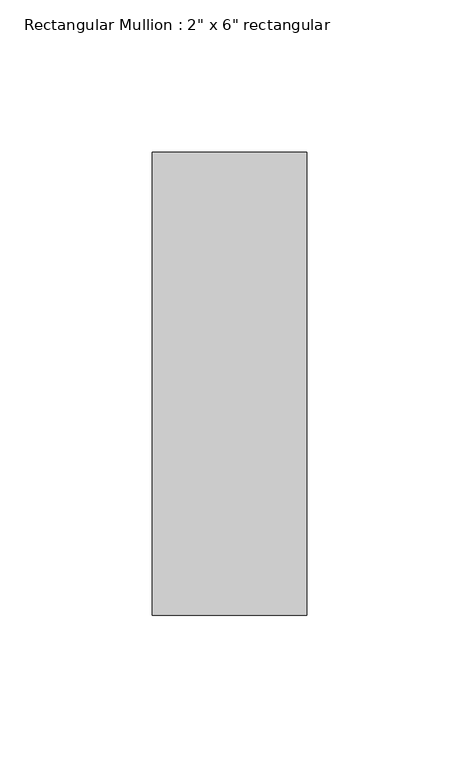
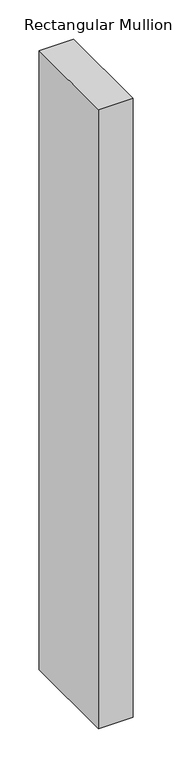
"""IFC4 building model written with IfcOpenShell, lengths in millimetres: member geometry."""

from ifc_helpers import new_model, si_unit, frame, origin, place, context, project, spatial, polyline, outline, extrude, source, transform, mapped, element, save


def member_0af33c3a(model_context):
    return source(origin(), model_context, "Body", "SweptSolid", [
        extrude(outline(polyline([(0.0, 76.2), (0.0, -76.2), (-50.8, -76.2), (-50.8, 76.2), (0.0, 76.2)])), frame((0.0, 0.0, -965.2), z_axis=(0.0, 0.0, 1.0), x_axis=(1.0, 0.0, 0.0)), (0.0, 0.0, 1.0), 965.2),
    ])


if __name__ == "__main__":
    model = new_model("IFC4")
    model_context = context("Model", 3, world=origin())
    ifc_project = project(units=[si_unit("LENGTHUNIT", "METRE", prefix="MILLI")], contexts=[model_context])
    site = spatial("IfcSite", under=ifc_project)
    building = spatial("IfcBuilding", under=site)
    placement = place(None, origin())
    member_shape = member_0af33c3a(model_context)
    element("IfcMember", 1, ObjectType="Rectangular Mullion : 2\" x 6\" rectangular", at=placement, inside=building, context=model_context, shape_type="MappedRepresentation", body=[
        mapped(member_shape, transform((0.0, 0.0, 0.0), x_axis=(1.0, 0.0, 0.0), y_axis=(0.0, 1.0, 0.0), z_axis=(0.0, 0.0, 1.0))),
    ])
    save(model, "model.ifc")
